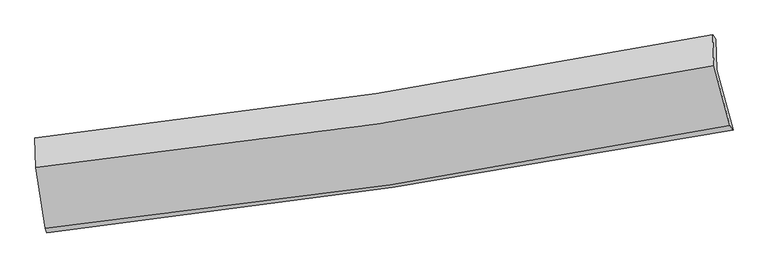
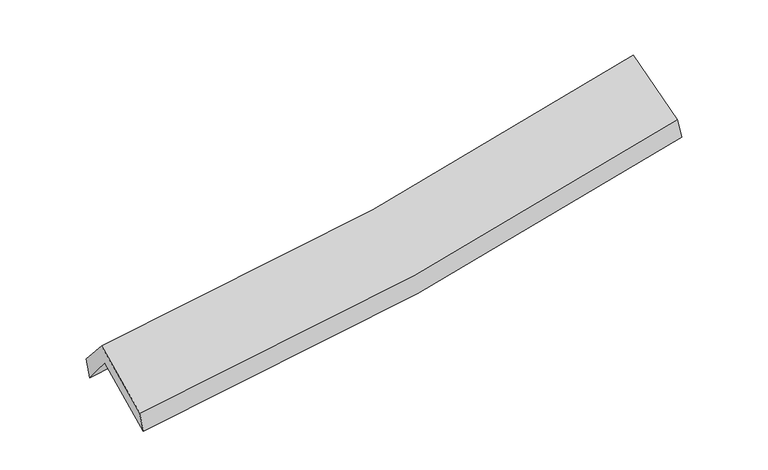
"""IFC4 building model written with IfcOpenShell, lengths in millimetres: proxy geometry."""

from ifc_helpers import new_model, si_unit, frame, origin, place, context, project, spatial, source, transform, mapped, element, save
from ifc_brep_helpers import plane_surface, spline_curve, spline_surface, advanced_brep


def generic_models_332a9c59(model_context):
    return source(origin(), model_context, "Body", "AdvancedBrep", [
        advanced_brep(
        [(-2778.294808, -2498.1014209, 1479.254601), (-2854.6320833, -1980.452224, 1889.9966712), (2780.606533, -1142.6027624, 2393.9836646), (2916.0837355, -1643.0555115, 1972.7261319), (-2861.5314545, -1745.8033488, 1597.8474405), (2772.369779, -886.0791984, 2086.5854458), (-2875.5545714, -1708.5327461, 1774.6449629), (2747.1874758, -851.868067, 2251.5106135), (-2866.6856299, -1953.2183019, 2050.379172), (2757.4677075, -1106.6548134, 2538.8786169), (-2791.8129937, -2460.9395933, 1647.5246609), (2890.2377069, -1607.0185185, 2140.6370337)],
        [
            (0, 1),
            (1, 2, spline_curve(3, [(-2854.6320833, -1980.452224, 1889.9966712), (-1904.228829764, -1884.37372996, 1936.991396788), (-958.612990275, -1766.353660161, 2002.59336056), (919.766587174, -1486.91791035, 2170.718431877), (1852.56361965, -1325.654826392, 2273.112132573), (2780.606533, -1142.6027624, 2393.9836646)], [4, 2, 4], [0.0, 9.45283376939873, 18.872739624413967])),
            (2, 3),
            (3, 0, spline_curve(3, [(2916.0837355, -1643.0555115, 1972.7261319), (1978.430896384, -1819.16759707, 1845.071867626), (1035.909372286, -1978.382679126, 1740.154117517), (-862.182711872, -2263.516317887, 1575.504375646), (-1817.787368773, -2389.316539251, 1515.931615246), (-2778.294808, -2498.1014209, 1479.254601)], [4, 2, 4], [0.0, 9.419905855015237, 18.872739624413967])),
            (1, 4),
            (4, 5, spline_curve(3, [(-2861.5314545, -1745.8033488, 1597.8474405), (-1912.721494599, -1631.482222974, 1636.256671155), (-968.012749633, -1502.527494307, 1696.298190177), (909.925805399, -1215.851006168, 1859.361303831), (1843.184138652, -1058.231017914, 1962.232453121), (2772.369779, -886.0791984, 2086.5854458)], [4, 2, 4], [0.0, 9.403686293098449, 18.77461587168122])),
            (5, 2),
            (4, 6),
            (6, 7, spline_curve(3, [(-2875.5545714, -1708.5327461, 1774.6449629), (-1927.376620039, -1607.053164961, 1812.965960061), (-983.916508055, -1484.76385289, 1871.970620966), (890.29803024, -1199.064235206, 2031.069685454), (1821.085267401, -1035.798654597, 2131.020241235), (2747.1874758, -851.868067, 2251.5106135)], [4, 2, 4], [0.0, 9.39410985701982, 18.755496357993497])),
            (7, 5),
            (6, 8),
            (8, 9, spline_curve(3, [(-2866.6856299, -1953.2183019, 2050.379172), (-1918.217068804, -1854.626713582, 2091.987442309), (-974.493887529, -1734.623583848, 2153.605740972), (900.190889273, -1452.286844718, 2316.578051663), (1831.185486945, -1290.102144705, 2417.792901331), (2757.4677075, -1106.6548134, 2538.8786169)], [4, 2, 4], [0.0, 9.3851981000546, 18.737703887195465])),
            (9, 7),
            (8, 10),
            (10, 11, spline_curve(3, [(-2791.8129937, -2460.9395933, 1647.5246609), (-1832.78805347, -2361.301109253, 1689.726134963), (-878.954260984, -2240.160171521, 1752.026271609), (1015.026536901, -1955.37027096, 1916.536841372), (1955.209644033, -1791.870850626, 2018.607495993), (2890.2377069, -1607.0185185, 2140.6370337)], [4, 2, 4], [0.0, 9.43401235265838, 18.83516235328358])),
            (11, 9),
            (10, 0),
            (3, 11),
        ],
        [
            spline_surface(3, 3, [[(-2778.294808, -2498.1014209, 1479.254601), (-1817.787368913, -2389.316539142, 1515.931615262), (-862.182711806, -2263.51631791, 1575.50437552), (1035.90937222, -1978.382679103, 1740.154117643), (1978.430896319, -1819.167597168, 1845.071867729), (2916.0837355, -1643.0555115, 1972.7261319)], [(-2803.740566448, -2325.551688612, 1616.168624377), (-1846.60118917, -2221.002269414, 1656.284875719), (-894.326137949, -2097.795431986, 1717.867370571), (997.195110513, -1814.561089511, 1883.675555736), (1936.475137486, -1654.663340181, 1987.751955954), (2870.924668017, -1476.237928442, 2113.145309459)], [(-2829.186324852, -2153.001956288, 1753.082647823), (-1875.415009383, -2052.687999649, 1796.638136246), (-926.469564073, -1932.074546086, 1860.230365544), (958.480848824, -1650.739499941, 2027.19699375), (1894.519378602, -1490.159083268, 2130.432044204), (2825.765600483, -1309.420345458, 2253.564487041)], [(-2854.6320833, -1980.452224, 1889.9966712), (-1904.228829641, -1884.373729921, 1936.991396703), (-958.612990217, -1766.353660163, 2002.593360595), (919.766587116, -1486.917910348, 2170.718431842), (1852.563619768, -1325.654826281, 2273.112132429), (2780.606533, -1142.6027624, 2393.9836646)]], [4, 4], [4, 2, 4], [0.0, 2.17510653441251], [0.0, 9.45283376939873, 18.872739624413967]),
            spline_surface(3, 3, [[(-2854.6320833, -1980.452224, 1889.9966712), (-1904.228829641, -1884.373729921, 1936.991396703), (-958.612990217, -1766.353660163, 2002.593360595), (919.766587116, -1486.917910348, 2170.718431842), (1852.563619768, -1325.654826281, 2273.112132429), (2780.606533, -1142.6027624, 2393.9836646)], [(-2856.931873686, -1902.23593225, 1792.613594309), (-1907.059717927, -1800.076560935, 1836.74648821), (-961.746243411, -1678.411604918, 1900.494970497), (916.486326583, -1396.562275597, 2066.932722451), (1849.437126046, -1236.513556823, 2169.48557263), (2777.860948324, -1057.094907754, 2291.517591672)], [(-2859.231664114, -1824.01964055, 1695.230517391), (-1909.890606256, -1715.779392, 1736.501579691), (-964.879496581, -1590.469549649, 1798.396580419), (913.206066074, -1306.206640822, 1963.14701308), (1846.310632351, -1147.372287303, 2065.859012816), (2775.115363676, -971.587053046, 2189.051518728)], [(-2861.5314545, -1745.8033488, 1597.8474405), (-1912.721494543, -1631.482223013, 1636.256671197), (-968.012749775, -1502.527494404, 1696.29819032), (909.92580554, -1215.851006071, 1859.361303688), (1843.184138629, -1058.231017845, 1962.232453017), (2772.369779, -886.0791984, 2086.5854458)]], [4, 4], [4, 2, 4], [0.0, 1.3406617805096113], [0.0, 9.403686293098449, 18.77461587168122]),
            spline_surface(3, 3, [[(-2861.5314545, -1745.8033488, 1597.8474405), (-1912.721494543, -1631.482223013, 1636.256671197), (-968.012749775, -1502.527494404, 1696.29819032), (909.92580554, -1215.851006071, 1859.361303688), (1843.184138629, -1058.231017845, 1962.232453017), (2772.369779, -886.0791984, 2086.5854458)], [(-2866.205826802, -1733.379814584, 1656.779947978), (-1917.606536329, -1623.339203715, 1695.159767454), (-973.314002518, -1496.606280509, 1754.855667207), (903.383213743, -1210.255415825, 1916.597430938), (1835.817848203, -1050.753563446, 2018.495049119), (2763.975677942, -874.675487931, 2141.56050172)], [(-2870.880199098, -1720.956280316, 1715.712455422), (-1922.49157811, -1615.196184365, 1754.062863676), (-978.61525524, -1490.685066635, 1813.413144094), (896.840621967, -1204.659825601, 1973.83355819), (1828.451557751, -1043.276109053, 2074.757645161), (2755.581576858, -863.271777469, 2196.53555758)], [(-2875.5545714, -1708.5327461, 1774.6449629), (-1927.376619896, -1607.053165066, 1812.965959933), (-983.916507984, -1484.76385274, 1871.97062098), (890.29803017, -1199.064235356, 2031.06968544), (1821.085267325, -1035.798654653, 2131.020241262), (2747.1874758, -851.868067, 2251.5106135)]], [4, 4], [4, 2, 4], [0.0, 0.5756414955049978], [0.0, 9.39410985701982, 18.755496357993497]),
            spline_surface(3, 3, [[(-2875.5545714, -1708.5327461, 1774.6449629), (-1927.376619896, -1607.053165066, 1812.965959933), (-983.916507984, -1484.76385274, 1871.97062098), (890.29803017, -1199.064235356, 2031.06968544), (1821.085267325, -1035.798654653, 2131.020241262), (2747.1874758, -851.868067, 2251.5106135)], [(-2872.598257582, -1790.094598032, 1866.556365928), (-1924.323436229, -1689.577681209, 1905.973120669), (-980.775634479, -1568.050429777, 1965.848994263), (893.595649849, -1283.471771775, 2126.239140898), (1824.452007185, -1120.566484685, 2226.611127982), (2750.614219673, -936.796982454, 2347.299947952)], [(-2869.641943718, -1871.656449968, 1958.467768972), (-1921.270252518, -1772.102197356, 1998.98028142), (-977.634760971, -1651.337006865, 2059.727367541), (896.893269532, -1367.879308245, 2221.408596352), (1827.818747125, -1205.334314755, 2322.202014745), (2754.040963627, -1021.725897946, 2443.089282448)], [(-2866.6856299, -1953.2183019, 2050.379172), (-1918.217068851, -1854.626713498, 2091.987442156), (-974.493887466, -1734.623583902, 2153.605740824), (900.190889211, -1452.286844664, 2316.578051811), (1831.185486984, -1290.102144787, 2417.792901464), (2757.4677075, -1106.6548134, 2538.8786169)]], [4, 4], [4, 2, 4], [0.0, 1.2440067509209145], [0.0, 9.3851981000546, 18.737703887195465]),
            spline_surface(3, 3, [[(-2866.6856299, -1953.2183019, 2050.379172), (-1918.217068851, -1854.626713498, 2091.987442156), (-974.493887466, -1734.623583902, 2153.605740824), (900.190889211, -1452.286844664, 2316.578051811), (1831.185486984, -1290.102144787, 2417.792901464), (2757.4677075, -1106.6548134, 2538.8786169)], [(-2841.728084498, -2122.458732362, 1916.094334953), (-1889.740730435, -2023.518178729, 1957.900339771), (-942.647345262, -1903.135779755, 2019.74591768), (938.469438394, -1619.981320175, 2183.230981694), (1872.526872744, -1457.358380087, 2284.73109966), (2801.724373996, -1273.442715099, 2406.131422516)], [(-2816.770539102, -2291.699162838, 1781.809497947), (-1861.264392023, -2192.409643974, 1823.813237427), (-910.800803053, -2071.64797552, 1885.886094601), (976.747987582, -1787.675795597, 2049.883911641), (1913.868258417, -1624.614615392, 2151.669297807), (2845.981040404, -1440.230616801, 2273.384228084)], [(-2791.8129937, -2460.9395933, 1647.5246609), (-1832.788053607, -2361.301109204, 1689.726135042), (-878.954260849, -2240.160171373, 1752.026271457), (1015.026536766, -1955.370271108, 1916.536841524), (1955.209644178, -1791.870850692, 2018.607496002), (2890.2377069, -1607.0185185, 2140.6370337)]], [4, 4], [4, 2, 4], [0.0, 2.1414646316375645], [0.0, 9.43401235265838, 18.83516235328358]),
            spline_surface(3, 3, [[(-2791.8129937, -2460.9395933, 1647.5246609), (-1832.788053607, -2361.301109204, 1689.726135042), (-878.954260849, -2240.160171373, 1752.026271457), (1015.026536766, -1955.370271108, 1916.536841524), (1955.209644178, -1791.870850692, 2018.607496002), (2890.2377069, -1607.0185185, 2140.6370337)], [(-2787.306931784, -2473.32686916, 1591.434640955), (-1827.78782536, -2370.639585843, 1631.794628471), (-873.363744476, -2247.945553546, 1693.185639479), (1021.987481942, -1963.041073767, 1857.742600231), (1962.950061539, -1800.969766204, 1960.762286558), (2898.853049748, -1619.03084952, 2084.666733081)], [(-2782.800869916, -2485.71414504, 1535.344620945), (-1822.78759716, -2379.978062502, 1573.863121833), (-867.773228178, -2255.730935737, 1634.345007498), (1028.948427044, -1970.711876444, 1798.948358936), (1970.690478957, -1810.068681656, 1902.917077173), (2907.468392652, -1631.04318048, 2028.696432519)], [(-2778.294808, -2498.1014209, 1479.254601), (-1817.787368913, -2389.316539142, 1515.931615262), (-862.182711806, -2263.51631791, 1575.50437552), (1035.90937222, -1978.382679103, 1740.154117643), (1978.430896319, -1819.167597168, 1845.071867729), (2916.0837355, -1643.0555115, 1972.7261319)]], [4, 4], [4, 2, 4], [0.0, 0.5871441162622049], [0.0, 9.492038830921238, 18.951013180907548]),
            plane_surface(frame((2810.658823, -1206.2131452, 2230.7202511), z_axis=(0.9790039551241223, 0.16864404078175022, 0.11450084436426258), x_axis=(0.20328044434767817, -0.7660929178301862, -0.6097365842691762))),
            plane_surface(frame((-2838.0852568, -2057.8412725, 1739.9412514), z_axis=(-0.9932395160916643, -0.10082674266249989, -0.057525921444744735), x_axis=(-0.07820573619357746, 0.21498950662569746, 0.9734800331117531))),
        ],
        [
            (0, [[1, 2, 3, 4]]),
            (1, [[5, 6, 7, -2]]),
            (2, [[8, 9, 10, -6]]),
            (3, [[11, 12, 13, -9]]),
            (4, [[14, 15, 16, -12]]),
            (5, [[17, -4, 18, -15]]),
            (6, [[-16, -18, -3, -7, -10, -13]]),
            (7, [[-17, -14, -11, -8, -5, -1]]),
        ],
    ),
    ])


if __name__ == "__main__":
    model = new_model("IFC4")
    model_context = context("Model", 3, world=origin())
    ifc_project = project(units=[si_unit("LENGTHUNIT", "METRE", prefix="MILLI")], contexts=[model_context])
    site = spatial("IfcSite", under=ifc_project)
    building = spatial("IfcBuilding", under=site)
    placement = place(None, origin())
    generic_models_shape = generic_models_332a9c59(model_context)
    element("IfcBuildingElementProxy", 1, Name="Generic Models", at=placement, inside=building, context=model_context, shape_type="MappedRepresentation", body=[
        mapped(generic_models_shape, transform((0.0, 0.0, 0.0), x_axis=(1.0, 0.0, 0.0), y_axis=(0.0, 1.0, 0.0), z_axis=(0.0, 0.0, 1.0))),
    ])
    save(model, "model.ifc")
